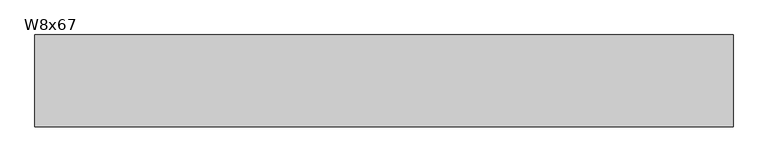
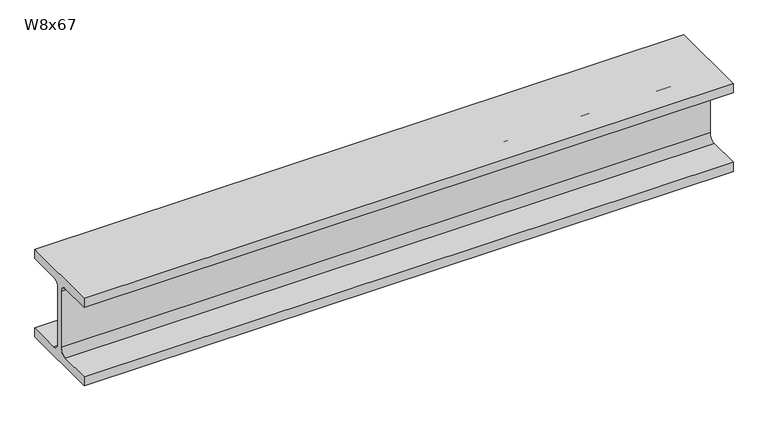
"""IFC4 building model written with IfcOpenShell, lengths in millimetres: beam geometry, W8x67."""

from ifc_helpers import new_model, si_unit, point, frame, frame_2d, origin, place, context, project, spatial, polyline, circle_curve, trimmed, segment, composite_curve, outline, extrude, source, transform, mapped, element, save


def w8x67_f3d54250(model_context):
    return source(origin(), model_context, "Body", "SweptSolid", [
        extrude(outline(composite_curve([segment(polyline([(-105.156, -90.551), (-24.765, -90.551)]), True, "CONTINUOUS"), segment(trimmed(circle_curve(frame_2d((-24.765, -73.025)), 17.526), [point((-24.765, -90.551))], [point((-7.239, -73.025))], True, "CARTESIAN"), True, "CONTINUOUS"), segment(polyline([(-7.239, -73.025), (-7.239, 73.025)]), True, "CONTINUOUS"), segment(trimmed(circle_curve(frame_2d((-24.765, 73.025)), 17.526), [point((-7.239, 73.025))], [point((-24.765, 90.551))], True, "CARTESIAN"), True, "CONTINUOUS"), segment(polyline([(-24.765, 90.551), (-105.156, 90.551), (-105.156, 114.3), (105.156, 114.3), (105.156, 90.551), (24.765, 90.551)]), True, "CONTINUOUS"), segment(trimmed(circle_curve(frame_2d((24.765, 73.025)), 17.526), [point((24.765, 90.551))], [point((7.239, 73.025))], True, "CARTESIAN"), True, "CONTINUOUS"), segment(polyline([(7.239, 73.025), (7.239, -73.025)]), True, "CONTINUOUS"), segment(trimmed(circle_curve(frame_2d((24.765, -73.025)), 17.526), [point((7.239, -73.025))], [point((24.765, -90.551))], True, "CARTESIAN"), True, "CONTINUOUS"), segment(polyline([(24.765, -90.551), (105.156, -90.551), (105.156, -114.3), (-105.156, -114.3), (-105.156, -90.551)]), True, "CONTINUOUS")], self_intersect=False)), frame((-806.45, 0.0, 0.0), z_axis=(1.0, 0.0, 0.0), x_axis=(0.0, 1.0, 0.0)), (0.0, 0.0, 1.0), 1600.1999994),
    ])


if __name__ == "__main__":
    model = new_model("IFC4")
    model_context = context("Model", 3, world=origin())
    ifc_project = project(units=[si_unit("LENGTHUNIT", "METRE", prefix="MILLI")], contexts=[model_context])
    site = spatial("IfcSite", under=ifc_project)
    building = spatial("IfcBuilding", under=site)
    placement = place(None, origin())
    w8x67_shape = w8x67_f3d54250(model_context)
    element("IfcBeam", 1, ObjectType="W8x67", at=placement, inside=building, context=model_context, shape_type="MappedRepresentation", body=[
        mapped(w8x67_shape, transform((0.0, 0.0, 0.0), x_axis=(1.0, 0.0, 0.0), y_axis=(0.0, 1.0, 0.0), z_axis=(0.0, 0.0, 1.0))),
    ])
    save(model, "model.ifc")
